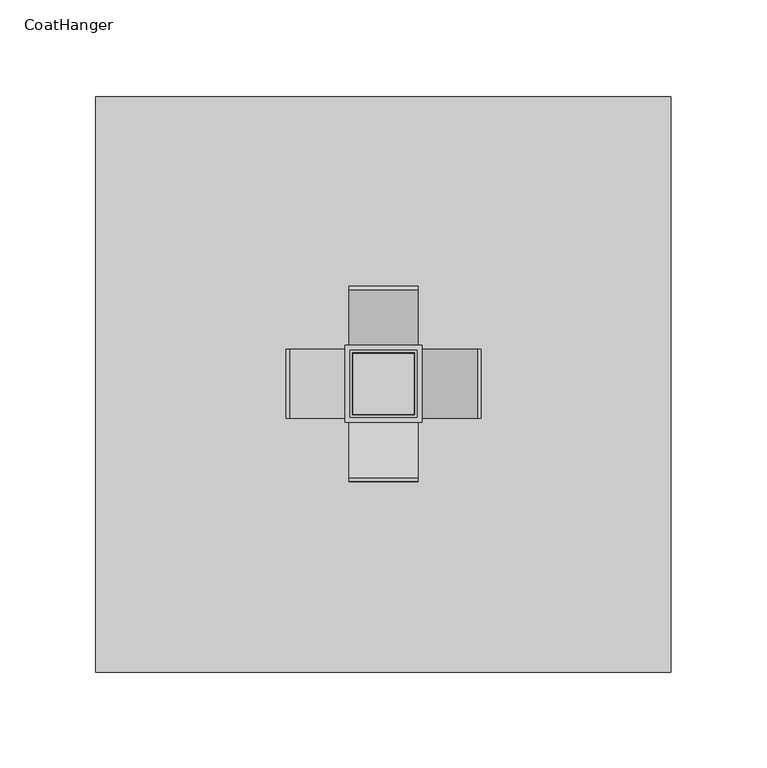
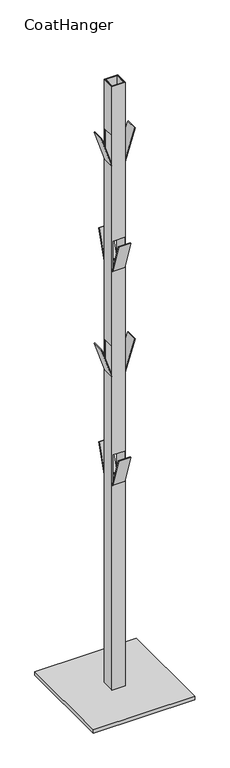
"""IFC4 building model written with IfcOpenShell, lengths in millimetres: furniture geometry, CoatHanger."""

from ifc_helpers import new_model, si_unit, frame, origin, origin_with_axes, place, context, project, spatial, polyline, outline, extrude, faceted_brep, source, transform, mapped, element, save


def coathanger_ad910669(model_context):
    return source(origin(), model_context, "Body", "SolidModel", [
        faceted_brep([(-16.19, 17.46, 656.3662881), (-16.19, 16.19, 656.3662881), (16.19, 16.19, 656.3662881), (16.19, -16.19, 656.3662881), (-16.19, -16.19, 656.3662881), (-16.19, -17.46, 656.3662881), (17.46, -17.46, 656.3662881), (17.46, 17.46, 656.3662881), (-16.19, 16.19, 745.618), (-16.19, 17.46, 745.618), (17.46, 17.46, 745.618), (17.46, -17.46, 745.618), (-16.19, -17.46, 745.618), (-16.19, -16.19, 745.618), (16.19, -16.19, 745.618), (16.19, 16.19, 745.618), (-16.19, 17.46, 1326.3662881), (-16.19, 16.19, 1326.3662881), (16.19, 16.19, 1326.3662881), (16.19, -16.19, 1326.3662881), (-16.19, -16.19, 1326.3662881), (-16.19, -17.46, 1326.3662881), (17.46, -17.46, 1326.3662881), (17.46, 17.46, 1326.3662881), (-16.19, 16.19, 1415.618), (-16.19, 17.46, 1415.618), (17.46, 17.46, 1415.618), (17.46, -17.46, 1415.618), (-16.19, -17.46, 1415.618), (-16.19, -16.19, 1415.618), (16.19, -16.19, 1415.618), (16.19, 16.19, 1415.618), (17.46, 17.46, 1900.0), (-17.46, 17.46, 1900.0), (-17.46, -17.46, 1900.0), (17.46, -17.46, 1900.0), (16.19, 16.19, 1900.0), (16.19, -16.19, 1900.0), (-16.19, -16.19, 1900.0), (-16.19, 16.19, 1900.0), (17.46, 17.46, 10.0), (17.46, -17.46, 10.0), (-17.46, -17.46, 10.0), (-17.46, 17.46, 10.0), (16.19, 16.19, 10.0), (-16.19, 16.19, 10.0), (-16.19, -16.19, 10.0), (16.19, -16.19, 10.0), (-17.46, -16.19, 1085.728), (-17.46, -16.19, 996.4762881), (-17.46, 16.19, 996.4762881), (-17.46, 16.19, 1085.728), (-17.46, -16.19, 1745.728), (-17.46, -16.19, 1656.4762881), (-17.46, 16.19, 1656.4762881), (-17.46, 16.19, 1745.728), (17.46, -16.19, 1656.4762881), (17.46, -16.19, 1745.728), (17.46, 16.19, 1745.728), (17.46, 16.19, 1656.4762881), (17.46, -16.19, 996.4762881), (17.46, -16.19, 1085.728), (17.46, 16.19, 1085.728), (17.46, 16.19, 996.4762881), (16.19, -16.19, 996.4762881), (16.19, 16.19, 996.4762881), (16.19, 16.19, 1085.728), (16.19, -16.19, 1085.728), (16.19, -16.19, 1656.4762881), (16.19, 16.19, 1656.4762881), (16.19, 16.19, 1745.728), (16.19, -16.19, 1745.728), (-16.19, -16.19, 996.4762881), (-16.19, -16.19, 1085.728), (-16.19, -16.19, 1656.4762881), (-16.19, -16.19, 1745.728), (-16.19, 16.19, 1656.4762881), (-16.19, 16.19, 1085.728), (-16.19, 16.19, 1745.728), (-16.19, 16.19, 996.4762881)], [[[0, 1, 2, 3, 4, 5, 6, 7]], [[8, 9, 10, 11, 12, 13, 14, 15]], [[16, 17, 18, 19, 20, 21, 22, 23]], [[24, 25, 26, 27, 28, 29, 30, 31]], [[32, 33, 34, 35], [36, 37, 38, 39]], [[40, 41, 42, 43], [44, 45, 46, 47]], [[33, 32, 26, 25, 16, 23, 10, 9, 0, 7, 40, 43]], [[34, 33, 43, 42], [48, 49, 50, 51], [52, 53, 54, 55]], [[35, 34, 42, 41, 6, 5, 12, 11, 22, 21, 28, 27]], [[32, 35, 27, 26], [56, 57, 58, 59]], [[41, 40, 7, 6]], [[10, 23, 22, 11], [60, 61, 62, 63]], [[15, 14, 64, 65]], [[19, 18, 66, 67]], [[31, 30, 68, 69]], [[37, 36, 70, 71]], [[44, 47, 3, 2]], [[14, 13, 72, 49, 48, 73, 20, 19, 67, 61, 60, 64]], [[38, 37, 71, 57, 56, 68, 30, 29, 74, 53, 52, 75]], [[47, 46, 4, 3]], [[17, 16, 25, 24, 76, 74, 29, 28, 21, 20, 73, 77]], [[39, 38, 75, 78]], [[46, 45, 1, 0, 9, 8, 79, 72, 13, 12, 5, 4]], [[8, 15, 65, 63, 62, 66, 18, 17, 77, 51, 50, 79]], [[36, 39, 78, 55, 54, 76, 24, 31, 69, 59, 58, 70]], [[45, 44, 2, 1]], [[73, 48, 51, 77]], [[61, 67, 66, 62]], [[49, 72, 79, 50]], [[64, 60, 63, 65]], [[57, 71, 70, 58]], [[75, 52, 55, 78]], [[68, 56, 59, 69]], [[53, 74, 76, 54]]]),
        faceted_brep([(20.0, 20.0, 1900.0), (-20.0, 20.0, 1900.0), (-20.0, -20.0, 1900.0), (20.0, -20.0, 1900.0), (-17.46, -17.46, 1900.0), (-17.46, 17.46, 1900.0), (17.46, 17.46, 1900.0), (17.46, -17.46, 1900.0), (20.0, 20.0, 10.0), (20.0, -20.0, 10.0), (-20.0, -20.0, 10.0), (-20.0, 20.0, 10.0), (-17.46, -17.46, 10.0), (17.46, -17.46, 10.0), (17.46, 17.46, 10.0), (-17.46, 17.46, 10.0), (17.46, 20.0, 656.3662881), (17.46, 20.0, 745.618), (-16.19, 20.0, 745.618), (-16.19, 20.0, 656.3662881), (17.46, 20.0, 1326.3662881), (17.46, 20.0, 1415.618), (-16.19, 20.0, 1415.618), (-16.19, 20.0, 1326.3662881), (-20.0, -16.19, 1085.728), (-20.0, -16.19, 996.4762881), (-20.0, 16.19, 996.4762881), (-20.0, 16.19, 1085.728), (-20.0, -16.19, 1745.728), (-20.0, -16.19, 1656.4762881), (-20.0, 16.19, 1656.4762881), (-20.0, 16.19, 1745.728), (17.46, -20.0, 745.618), (17.46, -20.0, 656.3662881), (-16.19, -20.0, 656.3662881), (-16.19, -20.0, 745.618), (17.46, -20.0, 1415.618), (17.46, -20.0, 1326.3662881), (-16.19, -20.0, 1326.3662881), (-16.19, -20.0, 1415.618), (20.0, -16.19, 996.4762881), (20.0, -16.19, 1085.728), (20.0, 16.19, 1085.728), (20.0, 16.19, 996.4762881), (20.0, -16.19, 1656.4762881), (20.0, -16.19, 1745.728), (20.0, 16.19, 1745.728), (20.0, 16.19, 1656.4762881), (-16.19, 17.46, 656.3662881), (-16.19, 17.46, 745.618), (-16.19, -17.46, 656.3662881), (-16.19, -17.46, 745.618), (-16.19, 17.46, 1326.3662881), (-16.19, 17.46, 1415.618), (-16.19, -17.46, 1326.3662881), (-16.19, -17.46, 1415.618), (17.46, 17.46, 656.3662881), (17.46, -17.46, 656.3662881), (17.46, 17.46, 745.618), (17.46, -17.46, 745.618), (17.46, 17.46, 1326.3662881), (17.46, -17.46, 1326.3662881), (17.46, 17.46, 1415.618), (17.46, -17.46, 1415.618), (-17.46, -16.19, 996.4762881), (-17.46, -16.19, 1085.728), (17.46, -16.19, 996.4762881), (17.46, -16.19, 1085.728), (-17.46, -16.19, 1656.4762881), (-17.46, -16.19, 1745.728), (17.46, -16.19, 1656.4762881), (17.46, -16.19, 1745.728), (-17.46, 16.19, 1085.728), (-17.46, 16.19, 996.4762881), (17.46, 16.19, 1085.728), (17.46, 16.19, 996.4762881), (-17.46, 16.19, 1745.728), (-17.46, 16.19, 1656.4762881), (17.46, 16.19, 1745.728), (17.46, 16.19, 1656.4762881)], [[[0, 1, 2, 3], [4, 5, 6, 7]], [[8, 9, 10, 11], [12, 13, 14, 15]], [[1, 0, 8, 11], [16, 17, 18, 19], [20, 21, 22, 23]], [[2, 1, 11, 10], [24, 25, 26, 27], [28, 29, 30, 31]], [[3, 2, 10, 9], [32, 33, 34, 35], [36, 37, 38, 39]], [[0, 3, 9, 8], [40, 41, 42, 43], [44, 45, 46, 47]], [[48, 19, 18, 49]], [[34, 50, 51, 35]], [[52, 23, 22, 53]], [[38, 54, 55, 39]], [[56, 16, 19, 48]], [[33, 57, 50, 34]], [[17, 58, 49, 18]], [[59, 32, 35, 51]], [[60, 20, 23, 52]], [[37, 61, 54, 38]], [[21, 62, 53, 22]], [[63, 36, 39, 55]], [[64, 25, 24, 65]], [[40, 66, 67, 41]], [[68, 29, 28, 69]], [[44, 70, 71, 45]], [[72, 27, 26, 73]], [[42, 74, 75, 43]], [[76, 31, 30, 77]], [[46, 78, 79, 47]], [[65, 24, 27, 72]], [[41, 67, 74, 42]], [[25, 64, 73, 26]], [[66, 40, 43, 75]], [[69, 28, 31, 76]], [[45, 71, 78, 46]], [[29, 68, 77, 30]], [[70, 44, 47, 79]], [[5, 4, 12, 15], [64, 65, 72, 73], [68, 69, 76, 77]], [[6, 5, 15, 14, 56, 48, 49, 58, 60, 52, 53, 62]], [[7, 6, 62, 21, 20, 60, 58, 17, 16, 56, 14, 13, 57, 33, 32, 59, 61, 37, 36, 63], [67, 66, 75, 74], [71, 70, 79, 78]], [[4, 7, 63, 55, 54, 61, 59, 51, 50, 57, 13, 12]]]),
        extrude(outline(polyline([(1745.728, 48.9978759), (1656.4762881, 20.0), (1650.0037962, 20.0), (1745.11, 50.9), (1745.728, 48.9978759)])), frame((0.0, -18.0, 0.0), z_axis=(0.0, 1.0, 0.0), x_axis=(0.0, 0.0, 1.0)), (0.0, 0.0, 1.0), 36.0),
        extrude(outline(polyline([(1745.728, -48.9978759), (1745.11, -50.9), (1650.0037962, -20.0), (1656.4762881, -20.0), (1745.728, -48.9978759)])), frame((0.0, -18.0, 0.0), z_axis=(0.0, 1.0, 0.0), x_axis=(0.0, 0.0, 1.0)), (0.0, 0.0, 1.0), 36.0),
        extrude(outline(polyline([(996.4762881, 20.0), (990.0037962, 20.0), (1085.11, 50.9), (1085.728, 48.9978759), (996.4762881, 20.0)])), frame((0.0, -18.0, 0.0), z_axis=(0.0, 1.0, 0.0), x_axis=(0.0, 0.0, 1.0)), (0.0, 0.0, 1.0), 36.0),
        extrude(outline(polyline([(996.4762881, -20.0), (1085.728, -48.9978759), (1085.11, -50.9), (990.0037962, -20.0), (996.4762881, -20.0)])), frame((0.0, -18.0, 0.0), z_axis=(0.0, 1.0, 0.0), x_axis=(0.0, 0.0, 1.0)), (0.0, 0.0, 1.0), 36.0),
        extrude(outline(polyline([(-20.0, 1326.3662881), (-20.0, 1319.8937962), (-50.9, 1415.0), (-48.9978759, 1415.618), (-20.0, 1326.3662881)])), frame((-18.0, 0.0, 0.0), z_axis=(1.0, 0.0, 0.0), x_axis=(0.0, 1.0, 0.0)), (0.0, 0.0, 1.0), 36.0),
        extrude(outline(polyline([(20.0, 1326.3662881), (48.9978759, 1415.618), (50.9, 1415.0), (20.0, 1319.8937962), (20.0, 1326.3662881)])), frame((-18.0, 0.0, 0.0), z_axis=(1.0, 0.0, 0.0), x_axis=(0.0, 1.0, 0.0)), (0.0, 0.0, 1.0), 36.0),
        extrude(outline(polyline([(-20.0, 656.3662881), (-20.0, 649.8937962), (-50.9, 745.0), (-48.9978759, 745.618), (-20.0, 656.3662881)])), frame((-18.0, 0.0, 0.0), z_axis=(1.0, 0.0, 0.0), x_axis=(0.0, 1.0, 0.0)), (0.0, 0.0, 1.0), 36.0),
        extrude(outline(polyline([(20.0, 656.3662881), (48.9978759, 745.618), (50.9, 745.0), (20.0, 649.8937962), (20.0, 656.3662881)])), frame((-18.0, 0.0, 0.0), z_axis=(1.0, 0.0, 0.0), x_axis=(0.0, 1.0, 0.0)), (0.0, 0.0, 1.0), 36.0),
        extrude(outline(polyline([(150.0, 150.0), (150.0, -150.0), (-150.0, -150.0), (-150.0, 150.0), (150.0, 150.0)])), origin_with_axes(), (0.0, 0.0, 1.0), 10.0),
    ])


if __name__ == "__main__":
    model = new_model("IFC4")
    model_context = context("Model", 3, world=origin())
    ifc_project = project(units=[si_unit("LENGTHUNIT", "METRE", prefix="MILLI")], contexts=[model_context])
    site = spatial("IfcSite", under=ifc_project)
    building = spatial("IfcBuilding", under=site)
    placement = place(None, origin())
    coathanger_shape = coathanger_ad910669(model_context)
    element("IfcFurniture", 1, ObjectType="CoatHanger", at=placement, inside=building, context=model_context, shape_type="MappedRepresentation", body=[
        mapped(coathanger_shape, transform((0.0, 0.0, 0.0), x_axis=(1.0, 0.0, 0.0), y_axis=(0.0, 1.0, 0.0), z_axis=(0.0, 0.0, 1.0))),
    ])
    save(model, "model.ifc")
